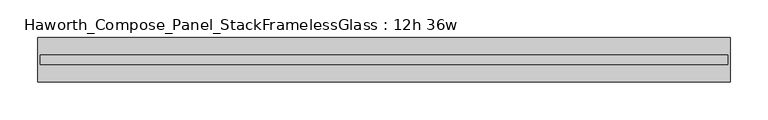
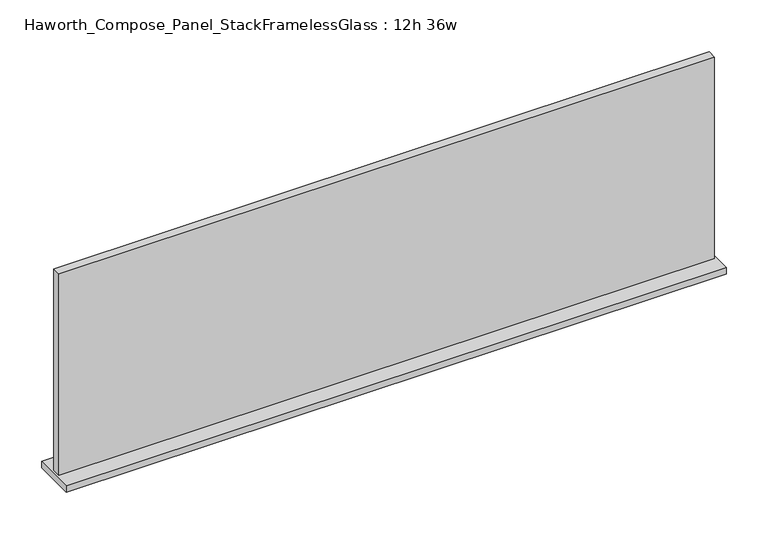
"""IFC4 building model written with IfcOpenShell, lengths in millimetres: furniture geometry, Haworth_Compose_Panel_StackFramelessGlass : 12h 36w."""

from ifc_helpers import new_model, si_unit, frame, origin, place, context, project, spatial, polyline, outline, extrude, source, transform, mapped, element, save


def haworth_compose_panel_stackframelessglass_12h_36w_c15ad166(model_context):
    return source(origin(), model_context, "Body", "SweptSolid", [
        extrude(outline(polyline([(456.4652902, -27.3093594), (-451.5847098, -27.3093594), (-451.5847098, -14.6093594), (456.4652902, -14.6093594), (456.4652902, -27.3093594)])), frame((0.0, 0.0, 1279.525), z_axis=(0.0, 0.0, 1.0), x_axis=(1.0, 0.0, 0.0)), (0.0, 0.0, 1.0), 295.275),
        extrude(outline(polyline([(-454.7597098, -50.3281094), (-454.7597098, 8.4093906), (459.6402902, 8.4093906), (459.6402902, -50.3281094), (-454.7597098, -50.3281094)])), frame((0.0, 0.0, 1270.0), z_axis=(0.0, 0.0, 1.0), x_axis=(1.0, 0.0, 0.0)), (0.0, 0.0, 1.0), 9.525),
    ])


if __name__ == "__main__":
    model = new_model("IFC4")
    model_context = context("Model", 3, world=origin())
    ifc_project = project(units=[si_unit("LENGTHUNIT", "METRE", prefix="MILLI")], contexts=[model_context])
    site = spatial("IfcSite", under=ifc_project)
    building = spatial("IfcBuilding", under=site)
    placement = place(None, origin())
    haworth_compose_panel_stackframelessglass_12h_36w_shape = haworth_compose_panel_stackframelessglass_12h_36w_c15ad166(model_context)
    element("IfcFurniture", 1, ObjectType="Haworth_Compose_Panel_StackFramelessGlass : 12h 36w", at=placement, inside=building, context=model_context, shape_type="MappedRepresentation", body=[
        mapped(haworth_compose_panel_stackframelessglass_12h_36w_shape, transform((0.0, 0.0, 0.0), x_axis=(1.0, 0.0, 0.0), y_axis=(0.0, 1.0, 0.0), z_axis=(0.0, 0.0, 1.0))),
    ])
    save(model, "model.ifc")
